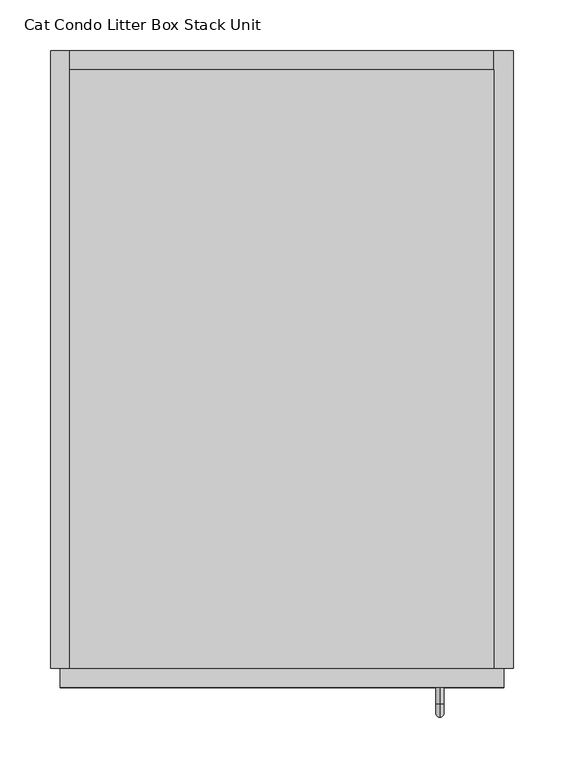
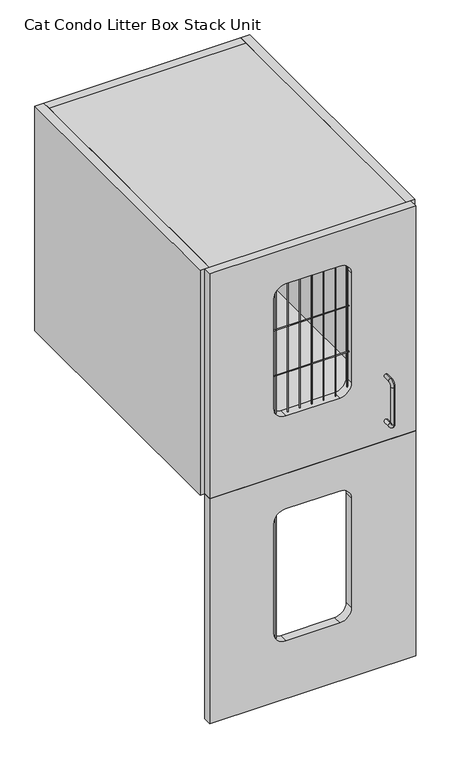
"""IFC4 building model written with IfcOpenShell, lengths in millimetres: proxy geometry, Cat Condo Litter Box Stack Unit."""

import ifcopenshell
import ifcopenshell.guid

model = None  # the IFC model being written
_history = None  # IfcOwnerHistory: only IFC2X3 demands one
_inside = {}  # id of a spatial element -> (the spatial element, [elements in it])
_under = {}  # id of a project, library or spatial element -> (it, [spatial elements below it])
_declared = {}  # id of a project -> (the project, [libraries it declares])
_typed = {}  # id of a type object -> (the type object, [elements of that type])
_made_of = {}  # id of a material, layer set ... -> (it, [elements and type objects made of it])


def new_model(schema):
    """Start an empty IFC model of exactly this schema.

    Asked for "IFC4X3", IfcOpenShell would pick the latest addendum, in which some entities
    have other attributes; the version numbers below select the first issue.
    IFC2X3 requires an IfcOwnerHistory on every rooted entity: one is made here for all.
    """
    global model, _history
    if schema == "IFC4X3":
        model = ifcopenshell.file(schema_version=(4, 3, 0, 0))
    else:
        model = ifcopenshell.file(schema=schema)
    _inside.clear()
    _under.clear()
    _declared.clear()
    _typed.clear()
    _made_of.clear()
    _history = None
    if model.schema == "IFC2X3":
        org = make("IfcOrganization", Name="unknown")
        user = make(
            "IfcPersonAndOrganization",
            ThePerson=make("IfcPerson", FamilyName="unknown"),
            TheOrganization=org,
        )
        app = make(
            "IfcApplication",
            ApplicationDeveloper=org,
            Version="unknown",
            ApplicationFullName="unknown",
            ApplicationIdentifier="unknown",
        )
        _history = make(
            "IfcOwnerHistory",
            OwningUser=user,
            OwningApplication=app,
            ChangeAction="ADDED",
            CreationDate=0,
        )
    return model


def make(cls, **values):
    """One entity of the class cls with the attributes given. An attribute that is None is left unset."""
    return model.create_entity(
        cls, **{name: value for name, value in values.items() if value is not None}
    )


def rooted(cls, **values):
    """An entity with a GlobalId (a new one), such as an element, a storey or a relation."""
    return make(cls, GlobalId=ifcopenshell.guid.new(), OwnerHistory=_history, **values)


def si_unit(unit_type, name, prefix=None):
    """IfcSIUnit, for example si_unit("LENGTHUNIT", "METRE", prefix="MILLI")."""
    return make("IfcSIUnit", UnitType=unit_type, Prefix=prefix, Name=name)


def assignment(units):
    """IfcUnitAssignment: the units of a project."""
    return None if units is None else make("IfcUnitAssignment", Units=units)


def point(xyz):
    """IfcCartesianPoint."""
    return None if xyz is None else make("IfcCartesianPoint", Coordinates=xyz)


def direction(xyz):
    """IfcDirection."""
    return None if xyz is None else make("IfcDirection", DirectionRatios=xyz)


def frame(location, z_axis=None, x_axis=None):
    """IfcAxis2Placement3D, a coordinate frame: its origin and axes. An axis left out is left unset."""
    return make(
        "IfcAxis2Placement3D",
        Location=point(location),
        Axis=direction(z_axis),
        RefDirection=direction(x_axis),
    )


def frame_2d(location, x_axis=None):
    """IfcAxis2Placement2D, a coordinate frame in the plane: its origin and x axis."""
    return make(
        "IfcAxis2Placement2D", Location=point(location), RefDirection=direction(x_axis)
    )


def origin():
    """The frame at (0, 0, 0) with its axes left unset."""
    return frame((0.0, 0.0, 0.0))


def place(relative_to, where):
    """IfcLocalPlacement: puts the frame where relative to a parent placement (None: the world)."""
    return make(
        "IfcLocalPlacement", PlacementRelTo=relative_to, RelativePlacement=where
    )


def context(
    kind, dimensions, precision=None, world=None, true_north=None, identifier=None
):
    """IfcGeometricRepresentationContext, for example the 3D "Model" context."""
    return make(
        "IfcGeometricRepresentationContext",
        ContextIdentifier=identifier,
        ContextType=kind,
        CoordinateSpaceDimension=dimensions,
        Precision=precision,
        WorldCoordinateSystem=world,
        TrueNorth=true_north,
    )


def project(units=None, contexts=None):
    """IfcProject with its units and contexts."""
    return rooted(
        "IfcProject",
        Name="project",
        RepresentationContexts=contexts,
        UnitsInContext=assignment(units),
    )


def spatial(cls, under=None, at=None, **own):
    """A site, building, storey or space (cls), placed at a placement, below another one or the project."""
    s = rooted(cls, ObjectPlacement=at, **own)
    if under is not None:
        _under.setdefault(under.id(), (under, []))[1].append(s)
    return s


def polyline(points):
    """IfcPolyline through the points."""
    return make("IfcPolyline", Points=[point(p) for p in points])


def circle_curve(where, radius):
    """IfcCircle in the frame where."""
    return make("IfcCircle", Position=where, Radius=radius)


def ellipse_curve(where, semi_axis1, semi_axis2):
    """IfcEllipse in the frame where."""
    return make(
        "IfcEllipse", Position=where, SemiAxis1=semi_axis1, SemiAxis2=semi_axis2
    )


def trimmed(basis, trim1, trim2, sense, master):
    """IfcTrimmedCurve: the piece of a basis curve between two trims."""
    return make(
        "IfcTrimmedCurve",
        BasisCurve=basis,
        Trim1=trim1,
        Trim2=trim2,
        SenseAgreement=sense,
        MasterRepresentation=master,
    )


def segment(curve, same_sense, transition):
    """IfcCompositeCurveSegment."""
    return make(
        "IfcCompositeCurveSegment",
        Transition=transition,
        SameSense=same_sense,
        ParentCurve=curve,
    )


def composite_curve(segments, self_intersect=None):
    """IfcCompositeCurve: segments joined end to end."""
    return make("IfcCompositeCurve", Segments=segments, SelfIntersect=self_intersect)


def outline(outer, holes=None, kind="AREA"):
    """IfcArbitraryClosedProfileDef: a profile drawn as a closed curve; with holes, ...WithVoids."""
    if holes is None:
        return make("IfcArbitraryClosedProfileDef", ProfileType=kind, OuterCurve=outer)
    return make(
        "IfcArbitraryProfileDefWithVoids",
        ProfileType=kind,
        OuterCurve=outer,
        InnerCurves=holes,
    )


def extrude(swept, where, along, depth):
    """IfcExtrudedAreaSolid: the profile swept, set in the frame where, extruded along a direction by depth."""
    return make(
        "IfcExtrudedAreaSolid",
        SweptArea=swept,
        Position=where,
        ExtrudedDirection=direction(along),
        Depth=depth,
    )


def shape(context_of_items, identifier, shape_type, items):
    """IfcShapeRepresentation: the items that make up one representation, for example the "Body"."""
    return make(
        "IfcShapeRepresentation",
        ContextOfItems=context_of_items,
        RepresentationIdentifier=identifier,
        RepresentationType=shape_type,
        Items=items,
    )


def source(mapping_origin, context_of_items, identifier, shape_type, items):
    """IfcRepresentationMap: a shape defined once, which mapped items show again and again."""
    return make(
        "IfcRepresentationMap",
        MappingOrigin=mapping_origin,
        MappedRepresentation=shape(context_of_items, identifier, shape_type, items),
    )


def transform(
    local_origin,
    x_axis=None,
    y_axis=None,
    z_axis=None,
    scale=None,
    scale2=None,
    scale3=None,
    uniform=True,
):
    """IfcCartesianTransformationOperator3D, or its non-uniform kind. x_axis, y_axis, z_axis: its Axis1, 2, 3."""
    if uniform:
        return make(
            "IfcCartesianTransformationOperator3D",
            Axis1=direction(x_axis),
            Axis2=direction(y_axis),
            LocalOrigin=point(local_origin),
            Scale=scale,
            Axis3=direction(z_axis),
        )
    return make(
        "IfcCartesianTransformationOperator3DnonUniform",
        Axis1=direction(x_axis),
        Axis2=direction(y_axis),
        LocalOrigin=point(local_origin),
        Scale=scale,
        Axis3=direction(z_axis),
        Scale2=scale2,
        Scale3=scale3,
    )


def mapped(mapping_source, mapping_target):
    """IfcMappedItem: shows the shape of a source again, moved by a transform."""
    return make(
        "IfcMappedItem", MappingSource=mapping_source, MappingTarget=mapping_target
    )


def made_of(thing, what):
    """Note that an element or type object is made of a material, layer set ...; save() writes the relation."""
    if what is not None:
        _made_of.setdefault(what.id(), (what, []))[1].append(thing)
    return thing


def element(
    cls,
    number,
    at=None,
    inside=None,
    cuts=None,
    type_object=None,
    material=None,
    context=None,
    identifier="Body",
    shape_type=None,
    held_by="IfcProductDefinitionShape",
    body=None,
    shapes=None,
    **own,
):
    """One element of the class cls, such as IfcWall. Its Tag is "e" and its number.

    at: its placement. inside: the storey or other place that contains it. cuts: it is an
    opening in that element (IfcRelVoidsElement). A single representation is given by context,
    identifier, shape_type and body (its items); several are given by shapes. held_by: the class
    of the entity that holds the representations. save() writes the other relations.
    """
    e = rooted(cls, Tag="e%d" % number, ObjectPlacement=at, **own)
    if body is not None:
        shapes = [shape(context, identifier, shape_type, body)]
    if shapes is not None:
        e.Representation = make(held_by, Representations=shapes)
    if inside is not None:
        _inside.setdefault(inside.id(), (inside, []))[1].append(e)
    if cuts is not None:
        rooted(
            "IfcRelVoidsElement", RelatingBuildingElement=cuts, RelatedOpeningElement=e
        )
    if type_object is not None:
        _typed.setdefault(type_object.id(), (type_object, []))[1].append(e)
    return made_of(e, material)


def aggregate(whole, parts):
    """IfcRelAggregates: a whole, such as a stair, and the parts it consists of."""
    return rooted("IfcRelAggregates", RelatingObject=whole, RelatedObjects=parts)


def save(model, path):
    """Write the relations noted so far, then the file.

    IfcRelAggregates (storeys below a building ...), IfcRelContainedInSpatialStructure (elements
    in a storey), IfcRelDefinesByType, IfcRelAssociatesMaterial and IfcRelDeclares: one each for
    every whole, place, type object, material and project.
    """
    for whole, parts in _under.values():
        aggregate(whole, parts)
    for where, things in _inside.values():
        rooted(
            "IfcRelContainedInSpatialStructure",
            RelatedElements=things,
            RelatingStructure=where,
        )
    for kind, things in _typed.values():
        rooted("IfcRelDefinesByType", RelatedObjects=things, RelatingType=kind)
    for what, things in _made_of.values():
        rooted("IfcRelAssociatesMaterial", RelatedObjects=things, RelatingMaterial=what)
    for by, libraries in _declared.values():
        rooted("IfcRelDeclares", RelatingContext=by, RelatedDefinitions=libraries)
    model.write(path)


def plane_surface(at):
    """IfcPlane: the flat surface through the origin of the frame at, square to its z axis."""
    return make("IfcPlane", Position=at)


def cylinder_surface(at, radius):
    """IfcCylindricalSurface: all points at the distance radius from the z axis of the frame at."""
    return make("IfcCylindricalSurface", Position=at, Radius=radius)


def revolved_surface(curve, axis_point, axis_direction):
    """IfcSurfaceOfRevolution: the curve turned about the line through axis_point along axis_direction."""
    return make(
        "IfcSurfaceOfRevolution",
        SweptCurve=make("IfcArbitraryOpenProfileDef", ProfileType="CURVE", Curve=curve),
        AxisPosition=make("IfcAxis1Placement", Location=point(axis_point), Axis=direction(axis_direction)),
    )


def advanced_brep(points, edges, surfaces, faces):
    """IfcAdvancedBrep: a solid bounded by faces that lie on surfaces and meet in shared edges.

    An edge is (start, end): straight between two places in points (the first is 0);
    or (start, end, curve); or (start, end, curve, False) where it runs against its curve.
    A face is (place in surfaces, loops), or (place, loops, False) where it looks against
    its surface's normal. A loop lists edges by number (the first is 1), with a minus sign
    where the edge is run from its end to its start. The first loop is the outer one.
    """
    corners = [point(p) for p in points]
    vertices = [make("IfcVertexPoint", VertexGeometry=c) for c in corners]
    made = []
    for start, end, *more in edges:
        made.append(
            make(
                "IfcEdgeCurve",
                EdgeStart=vertices[start],
                EdgeEnd=vertices[end],
                EdgeGeometry=more[0] if more else make("IfcPolyline", Points=[corners[start], corners[end]]),
                SameSense=more[1] if len(more) > 1 else True,
            )
        )
    hull = []
    for where, loops, *sense in faces:
        bounds = []
        for j, loop in enumerate(loops):
            ring = [make("IfcOrientedEdge", EdgeElement=made[abs(k) - 1], Orientation=k > 0) for k in loop]
            bounds.append(
                make(
                    "IfcFaceOuterBound" if j == 0 else "IfcFaceBound",
                    Bound=make("IfcEdgeLoop", EdgeList=ring),
                    Orientation=True,
                )
            )
        hull.append(make("IfcAdvancedFace", Bounds=bounds, FaceSurface=surfaces[where], SameSense=sense[0] if sense else True))
    return make("IfcAdvancedBrep", Outer=make("IfcClosedShell", CfsFaces=hull))


def cat_condo_litter_box_stack_unit_b0c14457(model_context):
    return source(origin(), model_context, "Body", "SolidModel", [
        extrude(outline(composite_curve([segment(trimmed(circle_curve(frame_2d((155.4919665, -9.6602248)), 0.79375), [point((154.6982165, -9.6602248))], [point((156.2857165, -9.6602248))], False, "CARTESIAN"), True, "CONTINUOUS"), segment(trimmed(circle_curve(frame_2d((155.4919665, -9.6602248)), 0.79375), [point((156.2857165, -9.6602248))], [point((154.6982165, -9.6602248))], False, "CARTESIAN"), True, "CONTINUOUS")], self_intersect=False)), frame((0.0, 0.0, 1243.0125), z_axis=(0.0, 0.0, 1.0), x_axis=(1.0, 0.0, 0.0)), (0.0, 0.0, 1.0), 298.45),
        extrude(outline(polyline([(1619.25, 447.675), (1619.25, 9.525), (1112.8375, 9.525), (1112.8375, 447.675), (1619.25, 447.675)]), holes=[composite_curve([segment(polyline([(1539.875, 171.45), (1539.875, 285.75)]), True, "CONTINUOUS"), segment(trimmed(circle_curve(frame_2d((1514.475, 285.75)), 25.4), [point((1539.875, 285.75))], [point((1514.475, 311.15))], True, "CARTESIAN"), True, "CONTINUOUS"), segment(polyline([(1514.475, 311.15), (1268.4125, 311.15)]), True, "CONTINUOUS"), segment(trimmed(circle_curve(frame_2d((1268.4125, 285.75)), 25.4), [point((1268.4125, 311.15))], [point((1243.0125, 285.75))], True, "CARTESIAN"), True, "CONTINUOUS"), segment(polyline([(1243.0125, 285.75), (1243.0125, 171.45)]), True, "CONTINUOUS"), segment(trimmed(circle_curve(frame_2d((1268.4125, 171.45)), 25.4), [point((1243.0125, 171.45))], [point((1268.4125, 146.05))], True, "CARTESIAN"), True, "CONTINUOUS"), segment(polyline([(1268.4125, 146.05), (1514.475, 146.05)]), True, "CONTINUOUS"), segment(trimmed(circle_curve(frame_2d((1514.475, 171.45)), 25.4), [point((1514.475, 146.05))], [point((1539.875, 171.45))], True, "CARTESIAN"), True, "CONTINUOUS")], self_intersect=False)]), frame((0.0, -19.05, 0.0), z_axis=(0.0, 1.0, 0.0), x_axis=(0.0, 0.0, 1.0)), (0.0, 0.0, 1.0), 19.05),
        advanced_brep(
        [(384.5819084, -19.05, 1761.3743154), (384.5819084, -19.05, 1769.2256846), (384.5819084, -35.2117768, 1761.3743154), (384.5819084, -35.2117768, 1769.2256846), (384.5819084, -48.3756846, 1756.0617768), (384.5819084, -40.5243154, 1756.0617768), (384.5819084, -40.5243154, 1672.9382232), (384.5819084, -48.3756846, 1672.9382232), (384.5819084, -35.2117768, 1659.7743154), (384.5819084, -35.2117768, 1667.6256846), (384.5819084, -19.05, 1667.6256846), (384.5819084, -19.05, 1659.7743154)],
        [
            (0, 1, circle_curve(frame((384.5819084, -19.05, 1765.3), z_axis=(0.0, 1.0, 0.0), x_axis=(0.0, 0.0, 1.0)), 3.9256846)),
            (1, 0, circle_curve(frame((384.5819084, -19.05, 1765.3), z_axis=(0.0, 1.0, 0.0), x_axis=(0.0, 0.0, 1.0)), 3.9256846)),
            (0, 2),
            (2, 3, circle_curve(frame((384.5819084, -35.2117768, 1765.3), z_axis=(0.0, 1.0, 0.0), x_axis=(0.0, 0.0, 1.0)), 3.9256846)),
            (3, 1),
            (3, 2, circle_curve(frame((384.5819084, -35.2117768, 1765.3), z_axis=(0.0, 1.0, 0.0), x_axis=(0.0, 0.0, 1.0)), 3.9256846)),
            (4, 3, circle_curve(frame((384.5819084, -35.2117768, 1756.0617768), z_axis=(-1.0, 0.0, 0.0), x_axis=(0.0, 0.0, 1.0)), 13.1639078)),
            (2, 5, circle_curve(frame((384.5819084, -35.2117768, 1756.0617768), z_axis=(1.0, 0.0, 0.0), x_axis=(0.0, 0.0, 1.0)), 5.3125387)),
            (5, 4, circle_curve(frame((384.5819084, -44.45, 1756.0617768), z_axis=(0.0, 0.0, 1.0), x_axis=(0.0, -1.0000000000000002, 0.0)), 3.9256846)),
            (4, 5, circle_curve(frame((384.5819084, -44.45, 1756.0617768), z_axis=(0.0, 0.0, 1.0), x_axis=(0.0, -1.0000000000000002, 0.0)), 3.9256846)),
            (5, 6),
            (6, 7, circle_curve(frame((384.5819084, -44.45, 1672.9382232), z_axis=(0.0, 0.0, 1.0), x_axis=(0.0, -1.0000000000000002, 0.0)), 3.9256846)),
            (7, 4),
            (7, 6, circle_curve(frame((384.5819084, -44.45, 1672.9382232), z_axis=(0.0, 0.0, 1.0), x_axis=(0.0, -1.0000000000000002, 0.0)), 3.9256846)),
            (8, 7, circle_curve(frame((384.5819084, -35.2117768, 1672.9382232), z_axis=(-1.0, 0.0, 0.0), x_axis=(0.0, -1.0000000000000002, 0.0)), 13.1639078)),
            (6, 9, circle_curve(frame((384.5819084, -35.2117768, 1672.9382232), z_axis=(1.0, 0.0, 0.0), x_axis=(0.0, -1.0000000000000002, 0.0)), 5.3125387)),
            (9, 8, circle_curve(frame((384.5819084, -35.2117768, 1663.7), z_axis=(0.0, -1.0000000000000002, 0.0), x_axis=(0.0, 0.0, -1.0)), 3.9256846)),
            (8, 9, circle_curve(frame((384.5819084, -35.2117768, 1663.7), z_axis=(0.0, -1.0000000000000002, 0.0), x_axis=(0.0, 0.0, -1.0)), 3.9256846)),
            (10, 11, circle_curve(frame((384.5819084, -19.05, 1663.7), z_axis=(0.0, 1.0, 0.0), x_axis=(0.0, 0.0, -1.0)), 3.9256846)),
            (11, 10, circle_curve(frame((384.5819084, -19.05, 1663.7), z_axis=(0.0, 1.0, 0.0), x_axis=(0.0, 0.0, -1.0)), 3.9256846)),
            (9, 10),
            (11, 8),
        ],
        [
            plane_surface(frame((384.5819084, -19.05, 1765.3), z_axis=(0.0, 1.0, 0.0), x_axis=(1.0, 0.0, 0.0))),
            cylinder_surface(frame((384.5819084, -19.05, 1765.3), z_axis=(0.0, 1.0000000000000002, 0.0), x_axis=(0.0, 0.0, 1.0)), 3.9256846),
            revolved_surface(trimmed(ellipse_curve(frame((384.5819084, -35.2117768, 1765.3), z_axis=(0.0, 1.0000000000000002, 0.0), x_axis=(0.0, 0.0, 1.0)), 3.9256846, 3.9256846), [point((384.5819084, -35.2117768, 1761.3743154))], [point((384.5819084, -35.2117768, 1769.2256846))], True, "CARTESIAN"), (384.5819084, -35.2117768, 1756.0617768), (1.0000000000000002, 0.0, 0.0)),
            revolved_surface(trimmed(ellipse_curve(frame((384.5819084, -35.2117768, 1765.3), z_axis=(0.0, 1.0000000000000002, 0.0), x_axis=(0.0, 0.0, 1.0)), 3.9256846, 3.9256846), [point((384.5819084, -35.2117768, 1769.2256846))], [point((384.5819084, -35.2117768, 1761.3743154))], True, "CARTESIAN"), (384.5819084, -35.2117768, 1756.0617768), (1.0000000000000002, 0.0, 0.0)),
            cylinder_surface(frame((384.5819084, -44.45, 1756.0617768), z_axis=(0.0, 0.0, 1.0), x_axis=(0.0, -1.0000000000000002, 0.0)), 3.9256846),
            revolved_surface(trimmed(ellipse_curve(frame((384.5819084, -44.45, 1672.9382232), z_axis=(0.0, 0.0, 1.0), x_axis=(0.0, -1.0000000000000002, 0.0)), 3.9256846, 3.9256846), [point((384.5819084, -40.5243154, 1672.9382232))], [point((384.5819084, -48.3756846, 1672.9382232))], True, "CARTESIAN"), (384.5819084, -35.2117768, 1672.9382232), (1.0000000000000002, 0.0, 0.0)),
            revolved_surface(trimmed(ellipse_curve(frame((384.5819084, -44.45, 1672.9382232), z_axis=(0.0, 0.0, 1.0), x_axis=(0.0, -1.0000000000000002, 0.0)), 3.9256846, 3.9256846), [point((384.5819084, -48.3756846, 1672.9382232))], [point((384.5819084, -40.5243154, 1672.9382232))], True, "CARTESIAN"), (384.5819084, -35.2117768, 1672.9382232), (1.0000000000000002, 0.0, 0.0)),
            plane_surface(frame((384.5819084, -19.05, 1663.7), z_axis=(0.0, 1.0, 0.0), x_axis=(1.0, 0.0, 0.0))),
            cylinder_surface(frame((384.5819084, -35.2117768, 1663.7), z_axis=(0.0, -1.0000000000000002, 0.0), x_axis=(0.0, 0.0, -1.0)), 3.9256846),
        ],
        [
            (0, [[1, 2]]),
            (1, [[-1, 3, 4, 5]]),
            (1, [[-2, -5, 6, -3]]),
            (2, [[7, -4, 8, 9]]),
            (3, [[-8, -6, -7, 10]]),
            (4, [[-9, 11, 12, 13]]),
            (4, [[-10, -13, 14, -11]]),
            (5, [[15, -12, 16, 17]]),
            (6, [[-16, -14, -15, 18]]),
            (7, [[19, 20]]),
            (8, [[-17, 21, -20, 22]]),
            (8, [[-18, -22, -19, -21]]),
        ],
    ),
        extrude(outline(polyline([(438.15, 590.55), (438.15, 0.0), (19.05, 0.0), (19.05, 590.55), (438.15, 590.55)])), frame((0.0, 0.0, 2106.6125), z_axis=(0.0, 0.0, 1.0), x_axis=(1.0, 0.0, 0.0)), (0.0, 0.0, 1.0), 19.05),
        extrude(outline(polyline([(438.15, 0.0), (19.05, 0.0), (19.05, 590.55), (438.15, 590.55), (438.15, 0.0)])), frame((0.0, 0.0, 1619.25), z_axis=(0.0, 0.0, 1.0), x_axis=(1.0, 0.0, 0.0)), (0.0, 0.0, 1.0), 19.05),
        extrude(outline(polyline([(438.15, 609.6), (457.2, 609.6), (457.2, 0.0), (438.15, 0.0), (438.15, 609.6)])), frame((0.0, 0.0, 1619.25), z_axis=(0.0, 0.0, 1.0), x_axis=(1.0, 0.0, 0.0)), (0.0, 0.0, 1.0), 506.4125),
        extrude(outline(polyline([(438.15, 609.6), (438.15, 590.55), (19.05, 590.55), (19.05, 609.6), (438.15, 609.6)])), frame((0.0, 0.0, 1619.25), z_axis=(0.0, 0.0, 1.0), x_axis=(1.0, 0.0, 0.0)), (0.0, 0.0, 1.0), 506.4125),
        extrude(outline(polyline([(19.05, 609.6), (19.05, 0.0), (0.0, 0.0), (0.0, 609.6), (19.05, 609.6)])), frame((0.0, 0.0, 1619.25), z_axis=(0.0, 0.0, 1.0), x_axis=(1.0, 0.0, 0.0)), (0.0, 0.0, 1.0), 506.4125),
        extrude(outline(composite_curve([segment(trimmed(circle_curve(frame_2d((-9.6602248, 1943.1)), 0.79375), [point((-9.6602248, 1943.89375))], [point((-9.6602248, 1942.30625))], False, "CARTESIAN"), True, "CONTINUOUS"), segment(trimmed(circle_curve(frame_2d((-9.6602248, 1943.1)), 0.79375), [point((-9.6602248, 1942.30625))], [point((-9.6602248, 1943.89375))], False, "CARTESIAN"), True, "CONTINUOUS")], self_intersect=False)), frame((146.05, 0.0, 0.0), z_axis=(1.0, 0.0, 0.0), x_axis=(0.0, 1.0, 0.0)), (0.0, 0.0, 1.0), 165.1),
        extrude(outline(composite_curve([segment(trimmed(circle_curve(frame_2d((-9.6602248, 1839.9125)), 0.79375), [point((-9.6602248, 1840.70625))], [point((-9.6602248, 1839.11875))], False, "CARTESIAN"), True, "CONTINUOUS"), segment(trimmed(circle_curve(frame_2d((-9.6602248, 1839.9125)), 0.79375), [point((-9.6602248, 1839.11875))], [point((-9.6602248, 1840.70625))], False, "CARTESIAN"), True, "CONTINUOUS")], self_intersect=False)), frame((146.05, 0.0, 0.0), z_axis=(1.0, 0.0, 0.0), x_axis=(0.0, 1.0, 0.0)), (0.0, 0.0, 1.0), 165.1),
        extrude(outline(composite_curve([segment(trimmed(circle_curve(frame_2d((307.8919665, -9.6602248)), 0.79375), [point((307.0982165, -9.6602248))], [point((308.6857165, -9.6602248))], False, "CARTESIAN"), True, "CONTINUOUS"), segment(trimmed(circle_curve(frame_2d((307.8919665, -9.6602248)), 0.79375), [point((308.6857165, -9.6602248))], [point((307.0982165, -9.6602248))], False, "CARTESIAN"), True, "CONTINUOUS")], self_intersect=False)), frame((0.0, 0.0, 1749.425), z_axis=(0.0, 0.0, 1.0), x_axis=(1.0, 0.0, 0.0)), (0.0, 0.0, 1.0), 298.45),
        extrude(outline(composite_curve([segment(trimmed(circle_curve(frame_2d((282.4919665, -9.6602248)), 0.79375), [point((281.6982165, -9.6602248))], [point((283.2857165, -9.6602248))], False, "CARTESIAN"), True, "CONTINUOUS"), segment(trimmed(circle_curve(frame_2d((282.4919665, -9.6602248)), 0.79375), [point((283.2857165, -9.6602248))], [point((281.6982165, -9.6602248))], False, "CARTESIAN"), True, "CONTINUOUS")], self_intersect=False)), frame((0.0, 0.0, 1749.425), z_axis=(0.0, 0.0, 1.0), x_axis=(1.0, 0.0, 0.0)), (0.0, 0.0, 1.0), 298.45),
        extrude(outline(composite_curve([segment(trimmed(circle_curve(frame_2d((257.0919665, -9.6602248)), 0.79375), [point((256.2982165, -9.6602248))], [point((257.8857165, -9.6602248))], False, "CARTESIAN"), True, "CONTINUOUS"), segment(trimmed(circle_curve(frame_2d((257.0919665, -9.6602248)), 0.79375), [point((257.8857165, -9.6602248))], [point((256.2982165, -9.6602248))], False, "CARTESIAN"), True, "CONTINUOUS")], self_intersect=False)), frame((0.0, 0.0, 1749.425), z_axis=(0.0, 0.0, 1.0), x_axis=(1.0, 0.0, 0.0)), (0.0, 0.0, 1.0), 298.45),
        extrude(outline(composite_curve([segment(trimmed(circle_curve(frame_2d((231.6919665, -9.6602248)), 0.79375), [point((230.8982165, -9.6602248))], [point((232.4857165, -9.6602248))], False, "CARTESIAN"), True, "CONTINUOUS"), segment(trimmed(circle_curve(frame_2d((231.6919665, -9.6602248)), 0.79375), [point((232.4857165, -9.6602248))], [point((230.8982165, -9.6602248))], False, "CARTESIAN"), True, "CONTINUOUS")], self_intersect=False)), frame((0.0, 0.0, 1749.425), z_axis=(0.0, 0.0, 1.0), x_axis=(1.0, 0.0, 0.0)), (0.0, 0.0, 1.0), 298.45),
        extrude(outline(composite_curve([segment(trimmed(circle_curve(frame_2d((206.2919665, -9.6602248)), 0.79375), [point((205.4982165, -9.6602248))], [point((207.0857165, -9.6602248))], False, "CARTESIAN"), True, "CONTINUOUS"), segment(trimmed(circle_curve(frame_2d((206.2919665, -9.6602248)), 0.79375), [point((207.0857165, -9.6602248))], [point((205.4982165, -9.6602248))], False, "CARTESIAN"), True, "CONTINUOUS")], self_intersect=False)), frame((0.0, 0.0, 1749.425), z_axis=(0.0, 0.0, 1.0), x_axis=(1.0, 0.0, 0.0)), (0.0, 0.0, 1.0), 298.45),
        extrude(outline(composite_curve([segment(trimmed(circle_curve(frame_2d((180.8919665, -9.6602248)), 0.79375), [point((180.0982165, -9.6602248))], [point((181.6857165, -9.6602248))], False, "CARTESIAN"), True, "CONTINUOUS"), segment(trimmed(circle_curve(frame_2d((180.8919665, -9.6602248)), 0.79375), [point((181.6857165, -9.6602248))], [point((180.0982165, -9.6602248))], False, "CARTESIAN"), True, "CONTINUOUS")], self_intersect=False)), frame((0.0, 0.0, 1749.425), z_axis=(0.0, 0.0, 1.0), x_axis=(1.0, 0.0, 0.0)), (0.0, 0.0, 1.0), 298.45),
        extrude(outline(composite_curve([segment(trimmed(circle_curve(frame_2d((155.4919665, -9.6602248)), 0.79375), [point((154.6982165, -9.6602248))], [point((156.2857165, -9.6602248))], False, "CARTESIAN"), True, "CONTINUOUS"), segment(trimmed(circle_curve(frame_2d((155.4919665, -9.6602248)), 0.79375), [point((156.2857165, -9.6602248))], [point((154.6982165, -9.6602248))], False, "CARTESIAN"), True, "CONTINUOUS")], self_intersect=False)), frame((0.0, 0.0, 1749.425), z_axis=(0.0, 0.0, 1.0), x_axis=(1.0, 0.0, 0.0)), (0.0, 0.0, 1.0), 298.45),
        extrude(outline(composite_curve([segment(trimmed(circle_curve(frame_2d((282.4919665, -9.6602248)), 0.79375), [point((281.6982165, -9.6602248))], [point((283.2857165, -9.6602248))], False, "CARTESIAN"), True, "CONTINUOUS"), segment(trimmed(circle_curve(frame_2d((282.4919665, -9.6602248)), 0.79375), [point((283.2857165, -9.6602248))], [point((281.6982165, -9.6602248))], False, "CARTESIAN"), True, "CONTINUOUS")], self_intersect=False)), frame((0.0, 0.0, 1749.425), z_axis=(0.0, 0.0, 1.0), x_axis=(1.0, 0.0, 0.0)), (0.0, 0.0, 1.0), 298.45),
        extrude(outline(composite_curve([segment(trimmed(circle_curve(frame_2d((257.0919665, -9.6602248)), 0.79375), [point((256.2982165, -9.6602248))], [point((257.8857165, -9.6602248))], False, "CARTESIAN"), True, "CONTINUOUS"), segment(trimmed(circle_curve(frame_2d((257.0919665, -9.6602248)), 0.79375), [point((257.8857165, -9.6602248))], [point((256.2982165, -9.6602248))], False, "CARTESIAN"), True, "CONTINUOUS")], self_intersect=False)), frame((0.0, 0.0, 1749.425), z_axis=(0.0, 0.0, 1.0), x_axis=(1.0, 0.0, 0.0)), (0.0, 0.0, 1.0), 298.45),
        extrude(outline(composite_curve([segment(trimmed(circle_curve(frame_2d((231.6919665, -9.6602248)), 0.79375), [point((230.8982165, -9.6602248))], [point((232.4857165, -9.6602248))], False, "CARTESIAN"), True, "CONTINUOUS"), segment(trimmed(circle_curve(frame_2d((231.6919665, -9.6602248)), 0.79375), [point((232.4857165, -9.6602248))], [point((230.8982165, -9.6602248))], False, "CARTESIAN"), True, "CONTINUOUS")], self_intersect=False)), frame((0.0, 0.0, 1749.425), z_axis=(0.0, 0.0, 1.0), x_axis=(1.0, 0.0, 0.0)), (0.0, 0.0, 1.0), 298.45),
        extrude(outline(composite_curve([segment(trimmed(circle_curve(frame_2d((206.2919665, -9.6602248)), 0.79375), [point((205.4982165, -9.6602248))], [point((207.0857165, -9.6602248))], False, "CARTESIAN"), True, "CONTINUOUS"), segment(trimmed(circle_curve(frame_2d((206.2919665, -9.6602248)), 0.79375), [point((207.0857165, -9.6602248))], [point((205.4982165, -9.6602248))], False, "CARTESIAN"), True, "CONTINUOUS")], self_intersect=False)), frame((0.0, 0.0, 1749.425), z_axis=(0.0, 0.0, 1.0), x_axis=(1.0, 0.0, 0.0)), (0.0, 0.0, 1.0), 298.45),
        extrude(outline(composite_curve([segment(trimmed(circle_curve(frame_2d((180.8919665, -9.6602248)), 0.79375), [point((180.0982165, -9.6602248))], [point((181.6857165, -9.6602248))], False, "CARTESIAN"), True, "CONTINUOUS"), segment(trimmed(circle_curve(frame_2d((180.8919665, -9.6602248)), 0.79375), [point((181.6857165, -9.6602248))], [point((180.0982165, -9.6602248))], False, "CARTESIAN"), True, "CONTINUOUS")], self_intersect=False)), frame((0.0, 0.0, 1749.425), z_axis=(0.0, 0.0, 1.0), x_axis=(1.0, 0.0, 0.0)), (0.0, 0.0, 1.0), 298.45),
        extrude(outline(composite_curve([segment(trimmed(circle_curve(frame_2d((155.4919665, -9.6602248)), 0.79375), [point((154.6982165, -9.6602248))], [point((156.2857165, -9.6602248))], False, "CARTESIAN"), True, "CONTINUOUS"), segment(trimmed(circle_curve(frame_2d((155.4919665, -9.6602248)), 0.79375), [point((156.2857165, -9.6602248))], [point((154.6982165, -9.6602248))], False, "CARTESIAN"), True, "CONTINUOUS")], self_intersect=False)), frame((0.0, 0.0, 1749.425), z_axis=(0.0, 0.0, 1.0), x_axis=(1.0, 0.0, 0.0)), (0.0, 0.0, 1.0), 298.45),
        extrude(outline(polyline([(2125.6625, 447.675), (2125.6625, 9.525), (1619.25, 9.525), (1619.25, 447.675), (2125.6625, 447.675)]), holes=[composite_curve([segment(polyline([(2046.2875, 171.45), (2046.2875, 285.75)]), True, "CONTINUOUS"), segment(trimmed(circle_curve(frame_2d((2020.8875, 285.75)), 25.4), [point((2046.2875, 285.75))], [point((2020.8875, 311.15))], True, "CARTESIAN"), True, "CONTINUOUS"), segment(polyline([(2020.8875, 311.15), (1774.825, 311.15)]), True, "CONTINUOUS"), segment(trimmed(circle_curve(frame_2d((1774.825, 285.75)), 25.4), [point((1774.825, 311.15))], [point((1749.425, 285.75))], True, "CARTESIAN"), True, "CONTINUOUS"), segment(polyline([(1749.425, 285.75), (1749.425, 171.45)]), True, "CONTINUOUS"), segment(trimmed(circle_curve(frame_2d((1774.825, 171.45)), 25.4), [point((1749.425, 171.45))], [point((1774.825, 146.05))], True, "CARTESIAN"), True, "CONTINUOUS"), segment(polyline([(1774.825, 146.05), (2020.8875, 146.05)]), True, "CONTINUOUS"), segment(trimmed(circle_curve(frame_2d((2020.8875, 171.45)), 25.4), [point((2020.8875, 146.05))], [point((2046.2875, 171.45))], True, "CARTESIAN"), True, "CONTINUOUS")], self_intersect=False)]), frame((0.0, -19.05, 0.0), z_axis=(0.0, 1.0, 0.0), x_axis=(0.0, 0.0, 1.0)), (0.0, 0.0, 1.0), 19.05),
    ])


if __name__ == "__main__":
    model = new_model("IFC4")
    model_context = context("Model", 3, world=origin())
    ifc_project = project(units=[si_unit("LENGTHUNIT", "METRE", prefix="MILLI")], contexts=[model_context])
    site = spatial("IfcSite", under=ifc_project)
    building = spatial("IfcBuilding", under=site)
    placement = place(None, origin())
    cat_condo_litter_box_stack_unit_shape = cat_condo_litter_box_stack_unit_b0c14457(model_context)
    element("IfcBuildingElementProxy", 1, Name="Cat Condo Litter Box Stack Unit", ObjectType="Cat Condo Litter Box Stack Unit", at=placement, inside=building, context=model_context, shape_type="MappedRepresentation", body=[
        mapped(cat_condo_litter_box_stack_unit_shape, transform((0.0, 0.0, 0.0), x_axis=(1.0, 0.0, 0.0), y_axis=(0.0, 1.0, 0.0), z_axis=(0.0, 0.0, 1.0))),
    ])
    save(model, "model.ifc")
